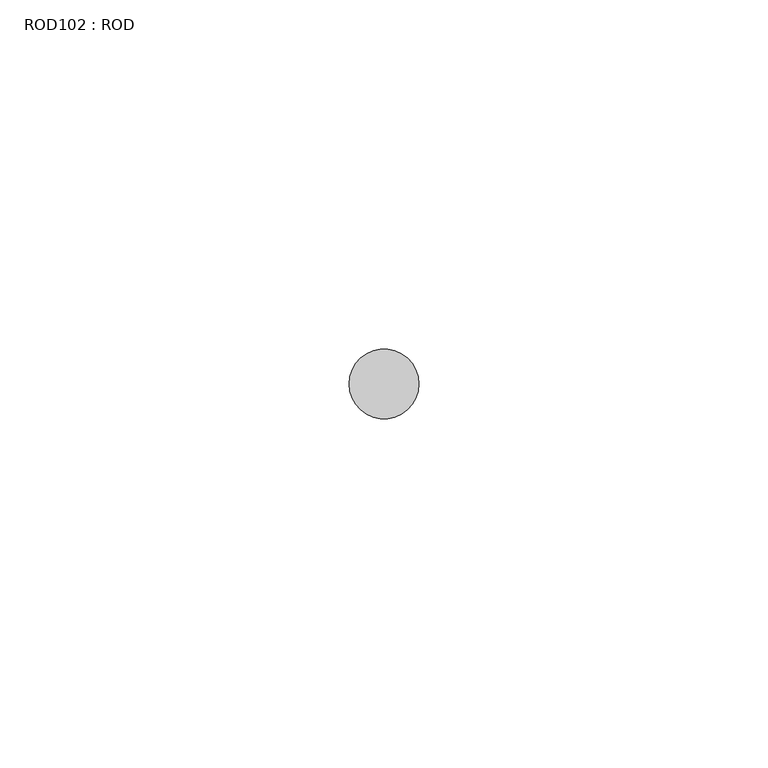
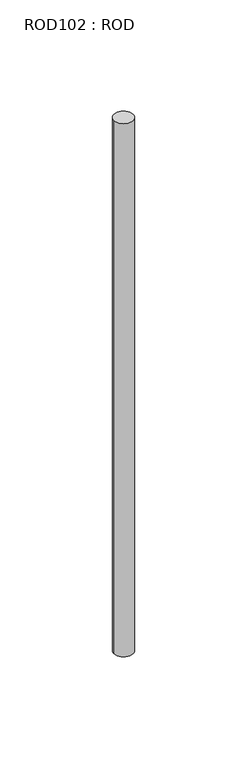
"""IFC4 building model written with IfcOpenShell, lengths in millimetres: proxy geometry, ROD102 : ROD."""

from ifc_helpers import new_model, si_unit, point, frame, frame_2d, origin, place, context, project, spatial, circle_curve, trimmed, segment, composite_curve, outline, extrude, source, transform, mapped, element, save


def rod102_rod_f9ff1d4a(model_context):
    return source(origin(), model_context, "Body", "SweptSolid", [
        extrude(outline(composite_curve([segment(trimmed(circle_curve(frame_2d((-1147.2215616, -12414.6300853)), 5.0), [point((-1152.2215616, -12414.6300853))], [point((-1142.2215616, -12414.6300853))], False, "CARTESIAN"), True, "CONTINUOUS"), segment(trimmed(circle_curve(frame_2d((-1147.2215616, -12414.6300853)), 5.0), [point((-1142.2215616, -12414.6300853))], [point((-1152.2215616, -12414.6300853))], False, "CARTESIAN"), True, "CONTINUOUS")], self_intersect=False)), frame((0.0, 0.0, -208.6608845), z_axis=(0.0, 0.0, 1.0), x_axis=(1.0, 0.0, 0.0)), (0.0, 0.0, 1.0), 298.9028972),
    ])


if __name__ == "__main__":
    model = new_model("IFC4")
    model_context = context("Model", 3, world=origin())
    ifc_project = project(units=[si_unit("LENGTHUNIT", "METRE", prefix="MILLI")], contexts=[model_context])
    site = spatial("IfcSite", under=ifc_project)
    building = spatial("IfcBuilding", under=site)
    placement = place(None, origin())
    rod102_rod_shape = rod102_rod_f9ff1d4a(model_context)
    element("IfcBuildingElementProxy", 1, Name="ROD102 : ROD", ObjectType="ROD102 : ROD", at=placement, inside=building, context=model_context, shape_type="MappedRepresentation", body=[
        mapped(rod102_rod_shape, transform((0.0, 0.0, 0.0), x_axis=(1.0, 0.0, 0.0), y_axis=(0.0, 1.0, 0.0), z_axis=(0.0, 0.0, 1.0))),
    ])
    save(model, "model.ifc")
